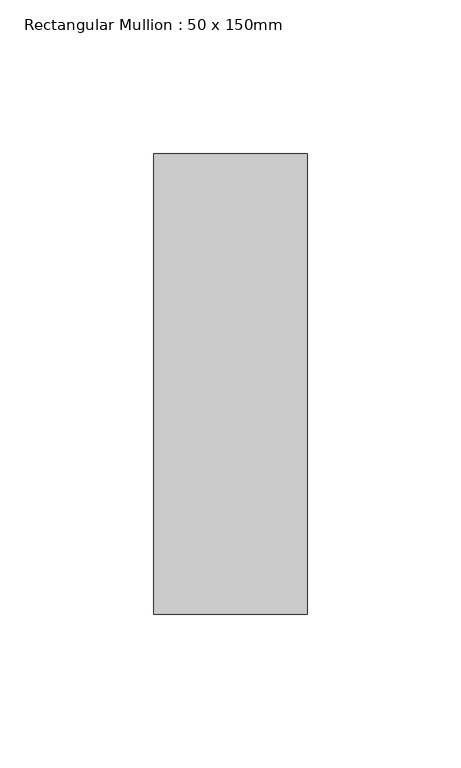
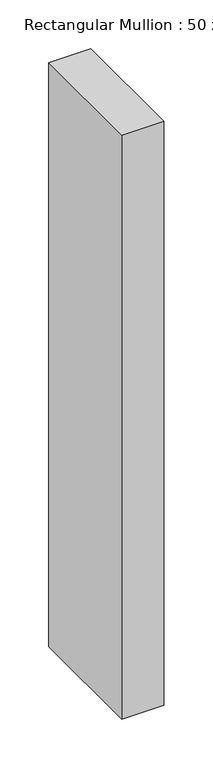
"""IFC4 building model written with IfcOpenShell, lengths in millimetres: member geometry, Rectangular Mullion : 50 x 150mm."""

from ifc_helpers import new_model, si_unit, frame, origin, place, context, project, spatial, polyline, outline, extrude, source, transform, mapped, element, save


def rectangular_mullion_50_x_150mm_470a533c(model_context):
    return source(origin(), model_context, "Body", "SweptSolid", [
        extrude(outline(polyline([(25.0, 75.0), (25.0, -75.0), (-25.0, -75.0), (-25.0, 75.0), (25.0, 75.0)])), frame((0.0, 0.0, -732.5), z_axis=(0.0, 0.0, 1.0), x_axis=(1.0, 0.0, 0.0)), (0.0, 0.0, 1.0), 732.5),
    ])


if __name__ == "__main__":
    model = new_model("IFC4")
    model_context = context("Model", 3, world=origin())
    ifc_project = project(units=[si_unit("LENGTHUNIT", "METRE", prefix="MILLI")], contexts=[model_context])
    site = spatial("IfcSite", under=ifc_project)
    building = spatial("IfcBuilding", under=site)
    placement = place(None, origin())
    rectangular_mullion_50_x_150mm_shape = rectangular_mullion_50_x_150mm_470a533c(model_context)
    element("IfcMember", 1, ObjectType="Rectangular Mullion : 50 x 150mm", at=placement, inside=building, context=model_context, shape_type="MappedRepresentation", body=[
        mapped(rectangular_mullion_50_x_150mm_shape, transform((0.0, 0.0, 0.0), x_axis=(1.0, 0.0, 0.0), y_axis=(0.0, 1.0, 0.0), z_axis=(0.0, 0.0, 1.0))),
    ])
    save(model, "model.ifc")
